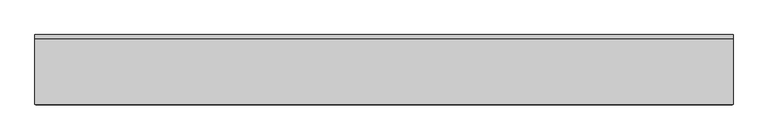
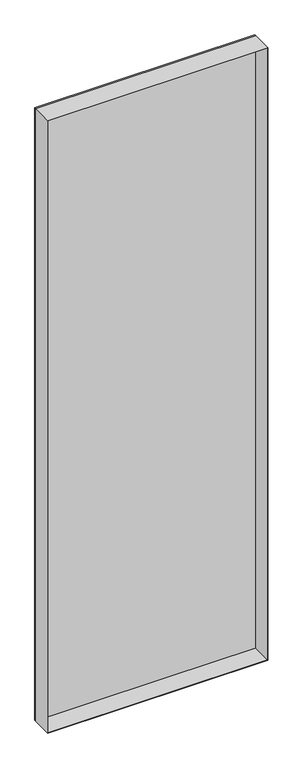
"""IFC4 building model written with IfcOpenShell, lengths in millimetres: plate geometry."""

from ifc_helpers import new_model, si_unit, frame, origin, origin_with_axes, place, context, project, spatial, polyline, outline, extrude, source, transform, mapped, element, save


def plate_96dc9c68(model_context):
    return source(origin(), model_context, "Body", "SweptSolid", [
        extrude(outline(polyline([(2931.0, -498.9415345), (0.0, -498.9415345), (0.0, 498.9415345), (2931.0, 498.9415345), (2931.0, -498.9415345)]), holes=[polyline([(2930.0, -497.9415345), (2930.0, 497.9415345), (1.0, 497.9415345), (1.0, -497.9415345), (2930.0, -497.9415345)])]), frame((0.0, -50.0, 0.0), z_axis=(0.0, 1.0, 0.0), x_axis=(0.0, 0.0, 1.0)), (0.0, 0.0, 1.0), 94.0),
        extrude(outline(polyline([(498.9415345, 44.0), (-498.9415345, 44.0), (-498.9415345, 50.0), (498.9415345, 50.0), (498.9415345, 44.0)])), origin_with_axes(), (0.0, 0.0, 1.0), 2931.0),
    ])


if __name__ == "__main__":
    model = new_model("IFC4")
    model_context = context("Model", 3, world=origin())
    ifc_project = project(units=[si_unit("LENGTHUNIT", "METRE", prefix="MILLI")], contexts=[model_context])
    site = spatial("IfcSite", under=ifc_project)
    building = spatial("IfcBuilding", under=site)
    placement = place(None, origin())
    plate_shape = plate_96dc9c68(model_context)
    element("IfcPlate", 1, at=placement, inside=building, context=model_context, shape_type="MappedRepresentation", body=[
        mapped(plate_shape, transform((0.0, 0.0, 0.0), x_axis=(1.0, 0.0, 0.0), y_axis=(0.0, 1.0, 0.0), z_axis=(0.0, 0.0, 1.0))),
    ])
    save(model, "model.ifc")
